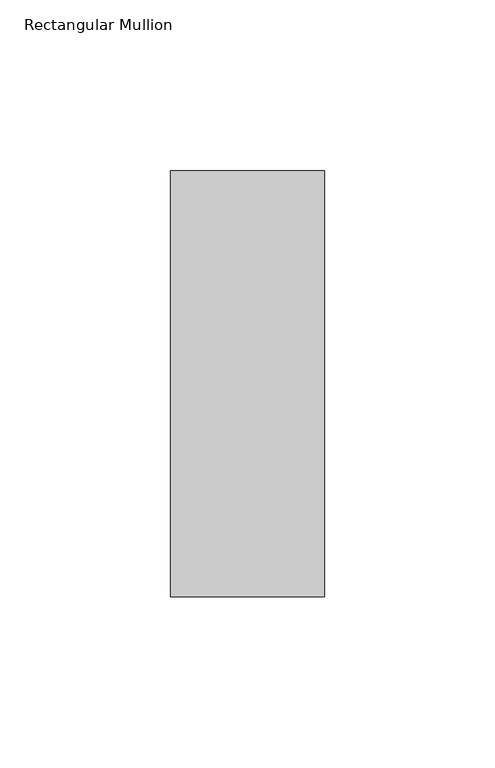
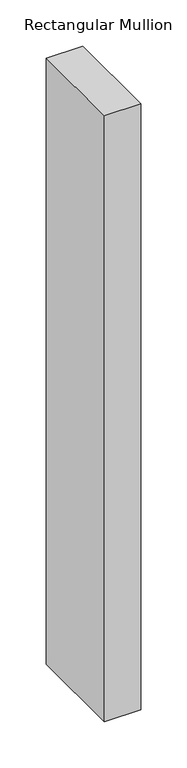
"""IFC4 building model written with IfcOpenShell, lengths in millimetres: member geometry, Rectangular Mullion."""

import ifcopenshell
import ifcopenshell.guid

model = None  # the IFC model being written
_history = None  # IfcOwnerHistory: only IFC2X3 demands one
_inside = {}  # id of a spatial element -> (the spatial element, [elements in it])
_under = {}  # id of a project, library or spatial element -> (it, [spatial elements below it])
_declared = {}  # id of a project -> (the project, [libraries it declares])
_typed = {}  # id of a type object -> (the type object, [elements of that type])
_made_of = {}  # id of a material, layer set ... -> (it, [elements and type objects made of it])


def new_model(schema):
    """Start an empty IFC model of exactly this schema.

    Asked for "IFC4X3", IfcOpenShell would pick the latest addendum, in which some entities
    have other attributes; the version numbers below select the first issue.
    IFC2X3 requires an IfcOwnerHistory on every rooted entity: one is made here for all.
    """
    global model, _history
    if schema == "IFC4X3":
        model = ifcopenshell.file(schema_version=(4, 3, 0, 0))
    else:
        model = ifcopenshell.file(schema=schema)
    _inside.clear()
    _under.clear()
    _declared.clear()
    _typed.clear()
    _made_of.clear()
    _history = None
    if model.schema == "IFC2X3":
        org = make("IfcOrganization", Name="unknown")
        user = make(
            "IfcPersonAndOrganization",
            ThePerson=make("IfcPerson", FamilyName="unknown"),
            TheOrganization=org,
        )
        app = make(
            "IfcApplication",
            ApplicationDeveloper=org,
            Version="unknown",
            ApplicationFullName="unknown",
            ApplicationIdentifier="unknown",
        )
        _history = make(
            "IfcOwnerHistory",
            OwningUser=user,
            OwningApplication=app,
            ChangeAction="ADDED",
            CreationDate=0,
        )
    return model


def make(cls, **values):
    """One entity of the class cls with the attributes given. An attribute that is None is left unset."""
    return model.create_entity(
        cls, **{name: value for name, value in values.items() if value is not None}
    )


def rooted(cls, **values):
    """An entity with a GlobalId (a new one), such as an element, a storey or a relation."""
    return make(cls, GlobalId=ifcopenshell.guid.new(), OwnerHistory=_history, **values)


def si_unit(unit_type, name, prefix=None):
    """IfcSIUnit, for example si_unit("LENGTHUNIT", "METRE", prefix="MILLI")."""
    return make("IfcSIUnit", UnitType=unit_type, Prefix=prefix, Name=name)


def assignment(units):
    """IfcUnitAssignment: the units of a project."""
    return None if units is None else make("IfcUnitAssignment", Units=units)


def point(xyz):
    """IfcCartesianPoint."""
    return None if xyz is None else make("IfcCartesianPoint", Coordinates=xyz)


def direction(xyz):
    """IfcDirection."""
    return None if xyz is None else make("IfcDirection", DirectionRatios=xyz)


def frame(location, z_axis=None, x_axis=None):
    """IfcAxis2Placement3D, a coordinate frame: its origin and axes. An axis left out is left unset."""
    return make(
        "IfcAxis2Placement3D",
        Location=point(location),
        Axis=direction(z_axis),
        RefDirection=direction(x_axis),
    )


def origin():
    """The frame at (0, 0, 0) with its axes left unset."""
    return frame((0.0, 0.0, 0.0))


def place(relative_to, where):
    """IfcLocalPlacement: puts the frame where relative to a parent placement (None: the world)."""
    return make(
        "IfcLocalPlacement", PlacementRelTo=relative_to, RelativePlacement=where
    )


def context(
    kind, dimensions, precision=None, world=None, true_north=None, identifier=None
):
    """IfcGeometricRepresentationContext, for example the 3D "Model" context."""
    return make(
        "IfcGeometricRepresentationContext",
        ContextIdentifier=identifier,
        ContextType=kind,
        CoordinateSpaceDimension=dimensions,
        Precision=precision,
        WorldCoordinateSystem=world,
        TrueNorth=true_north,
    )


def project(units=None, contexts=None):
    """IfcProject with its units and contexts."""
    return rooted(
        "IfcProject",
        Name="project",
        RepresentationContexts=contexts,
        UnitsInContext=assignment(units),
    )


def spatial(cls, under=None, at=None, **own):
    """A site, building, storey or space (cls), placed at a placement, below another one or the project."""
    s = rooted(cls, ObjectPlacement=at, **own)
    if under is not None:
        _under.setdefault(under.id(), (under, []))[1].append(s)
    return s


def polyline(points):
    """IfcPolyline through the points."""
    return make("IfcPolyline", Points=[point(p) for p in points])


def outline(outer, holes=None, kind="AREA"):
    """IfcArbitraryClosedProfileDef: a profile drawn as a closed curve; with holes, ...WithVoids."""
    if holes is None:
        return make("IfcArbitraryClosedProfileDef", ProfileType=kind, OuterCurve=outer)
    return make(
        "IfcArbitraryProfileDefWithVoids",
        ProfileType=kind,
        OuterCurve=outer,
        InnerCurves=holes,
    )


def extrude(swept, where, along, depth):
    """IfcExtrudedAreaSolid: the profile swept, set in the frame where, extruded along a direction by depth."""
    return make(
        "IfcExtrudedAreaSolid",
        SweptArea=swept,
        Position=where,
        ExtrudedDirection=direction(along),
        Depth=depth,
    )


def shape(context_of_items, identifier, shape_type, items):
    """IfcShapeRepresentation: the items that make up one representation, for example the "Body"."""
    return make(
        "IfcShapeRepresentation",
        ContextOfItems=context_of_items,
        RepresentationIdentifier=identifier,
        RepresentationType=shape_type,
        Items=items,
    )


def source(mapping_origin, context_of_items, identifier, shape_type, items):
    """IfcRepresentationMap: a shape defined once, which mapped items show again and again."""
    return make(
        "IfcRepresentationMap",
        MappingOrigin=mapping_origin,
        MappedRepresentation=shape(context_of_items, identifier, shape_type, items),
    )


def transform(
    local_origin,
    x_axis=None,
    y_axis=None,
    z_axis=None,
    scale=None,
    scale2=None,
    scale3=None,
    uniform=True,
):
    """IfcCartesianTransformationOperator3D, or its non-uniform kind. x_axis, y_axis, z_axis: its Axis1, 2, 3."""
    if uniform:
        return make(
            "IfcCartesianTransformationOperator3D",
            Axis1=direction(x_axis),
            Axis2=direction(y_axis),
            LocalOrigin=point(local_origin),
            Scale=scale,
            Axis3=direction(z_axis),
        )
    return make(
        "IfcCartesianTransformationOperator3DnonUniform",
        Axis1=direction(x_axis),
        Axis2=direction(y_axis),
        LocalOrigin=point(local_origin),
        Scale=scale,
        Axis3=direction(z_axis),
        Scale2=scale2,
        Scale3=scale3,
    )


def mapped(mapping_source, mapping_target):
    """IfcMappedItem: shows the shape of a source again, moved by a transform."""
    return make(
        "IfcMappedItem", MappingSource=mapping_source, MappingTarget=mapping_target
    )


def made_of(thing, what):
    """Note that an element or type object is made of a material, layer set ...; save() writes the relation."""
    if what is not None:
        _made_of.setdefault(what.id(), (what, []))[1].append(thing)
    return thing


def element(
    cls,
    number,
    at=None,
    inside=None,
    cuts=None,
    type_object=None,
    material=None,
    context=None,
    identifier="Body",
    shape_type=None,
    held_by="IfcProductDefinitionShape",
    body=None,
    shapes=None,
    **own,
):
    """One element of the class cls, such as IfcWall. Its Tag is "e" and its number.

    at: its placement. inside: the storey or other place that contains it. cuts: it is an
    opening in that element (IfcRelVoidsElement). A single representation is given by context,
    identifier, shape_type and body (its items); several are given by shapes. held_by: the class
    of the entity that holds the representations. save() writes the other relations.
    """
    e = rooted(cls, Tag="e%d" % number, ObjectPlacement=at, **own)
    if body is not None:
        shapes = [shape(context, identifier, shape_type, body)]
    if shapes is not None:
        e.Representation = make(held_by, Representations=shapes)
    if inside is not None:
        _inside.setdefault(inside.id(), (inside, []))[1].append(e)
    if cuts is not None:
        rooted(
            "IfcRelVoidsElement", RelatingBuildingElement=cuts, RelatedOpeningElement=e
        )
    if type_object is not None:
        _typed.setdefault(type_object.id(), (type_object, []))[1].append(e)
    return made_of(e, material)


def aggregate(whole, parts):
    """IfcRelAggregates: a whole, such as a stair, and the parts it consists of."""
    return rooted("IfcRelAggregates", RelatingObject=whole, RelatedObjects=parts)


def save(model, path):
    """Write the relations noted so far, then the file.

    IfcRelAggregates (storeys below a building ...), IfcRelContainedInSpatialStructure (elements
    in a storey), IfcRelDefinesByType, IfcRelAssociatesMaterial and IfcRelDeclares: one each for
    every whole, place, type object, material and project.
    """
    for whole, parts in _under.values():
        aggregate(whole, parts)
    for where, things in _inside.values():
        rooted(
            "IfcRelContainedInSpatialStructure",
            RelatedElements=things,
            RelatingStructure=where,
        )
    for kind, things in _typed.values():
        rooted("IfcRelDefinesByType", RelatedObjects=things, RelatingType=kind)
    for what, things in _made_of.values():
        rooted("IfcRelAssociatesMaterial", RelatedObjects=things, RelatingMaterial=what)
    for by, libraries in _declared.values():
        rooted("IfcRelDeclares", RelatingContext=by, RelatedDefinitions=libraries)
    model.write(path)


def rectangular_mullion_c29d43ae(model_context):
    return source(origin(), model_context, "Body", "SweptSolid", [
        extrude(outline(polyline([(-45.0, -77.84375), (-45.0, 46.84375), (0.0, 46.84375), (0.0, -77.84375), (-45.0, -77.84375)])), frame((0.0, 0.0, -796.1), z_axis=(0.0, 0.0, 1.0), x_axis=(1.0, 0.0, 0.0)), (0.0, 0.0, 1.0), 796.1),
    ])


if __name__ == "__main__":
    model = new_model("IFC4")
    model_context = context("Model", 3, world=origin())
    ifc_project = project(units=[si_unit("LENGTHUNIT", "METRE", prefix="MILLI")], contexts=[model_context])
    site = spatial("IfcSite", under=ifc_project)
    building = spatial("IfcBuilding", under=site)
    placement = place(None, origin())
    rectangular_mullion_shape = rectangular_mullion_c29d43ae(model_context)
    element("IfcMember", 1, ObjectType="Rectangular Mullion", at=placement, inside=building, context=model_context, shape_type="MappedRepresentation", body=[
        mapped(rectangular_mullion_shape, transform((0.0, 0.0, 0.0), x_axis=(1.0, 0.0, 0.0), y_axis=(0.0, 1.0, 0.0), z_axis=(0.0, 0.0, 1.0))),
    ])
    save(model, "model.ifc")
